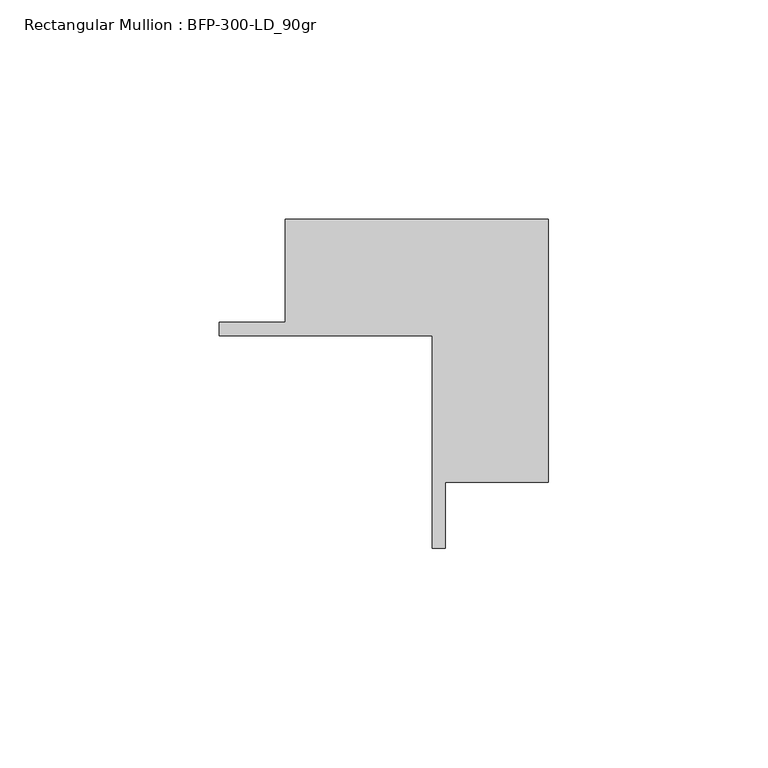
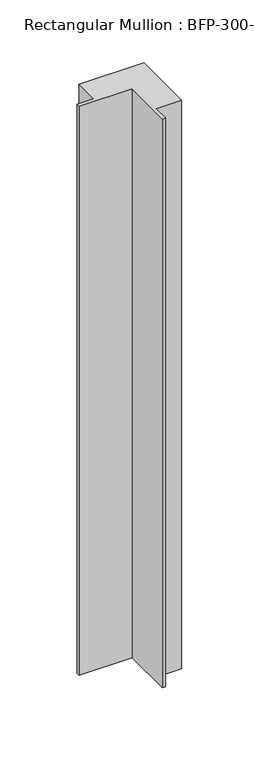
"""IFC4 building model written with IfcOpenShell, lengths in millimetres: member geometry, Rectangular Mullion : BFP-300-LD_90gr."""

from ifc_helpers import new_model, si_unit, frame, origin, place, context, project, spatial, polyline, outline, extrude, source, transform, mapped, element, save


def rectangular_mullion_bfp_300_ld_90gr_22e13f17(model_context):
    return source(origin(), model_context, "Body", "SweptSolid", [
        extrude(outline(polyline([(-39.0, -70.0), (-39.0, -21.5), (-87.5, -21.5), (-87.5, -18.5), (-72.5, -18.5), (-72.5, 5.0), (-12.5, 5.0), (-12.5, -55.0), (-36.0, -55.0), (-36.0, -70.0), (-39.0, -70.0)])), frame((0.0, 0.0, -553.3333331), z_axis=(0.0, 0.0, 1.0), x_axis=(1.0, 0.0, 0.0)), (0.0, 0.0, 1.0), 553.3333331),
    ])


if __name__ == "__main__":
    model = new_model("IFC4")
    model_context = context("Model", 3, world=origin())
    ifc_project = project(units=[si_unit("LENGTHUNIT", "METRE", prefix="MILLI")], contexts=[model_context])
    site = spatial("IfcSite", under=ifc_project)
    building = spatial("IfcBuilding", under=site)
    placement = place(None, origin())
    rectangular_mullion_bfp_300_ld_90gr_shape = rectangular_mullion_bfp_300_ld_90gr_22e13f17(model_context)
    element("IfcMember", 1, ObjectType="Rectangular Mullion : BFP-300-LD_90gr", at=placement, inside=building, context=model_context, shape_type="MappedRepresentation", body=[
        mapped(rectangular_mullion_bfp_300_ld_90gr_shape, transform((0.0, 0.0, 0.0), x_axis=(1.0, 0.0, 0.0), y_axis=(0.0, 1.0, 0.0), z_axis=(0.0, 0.0, 1.0))),
    ])
    save(model, "model.ifc")
